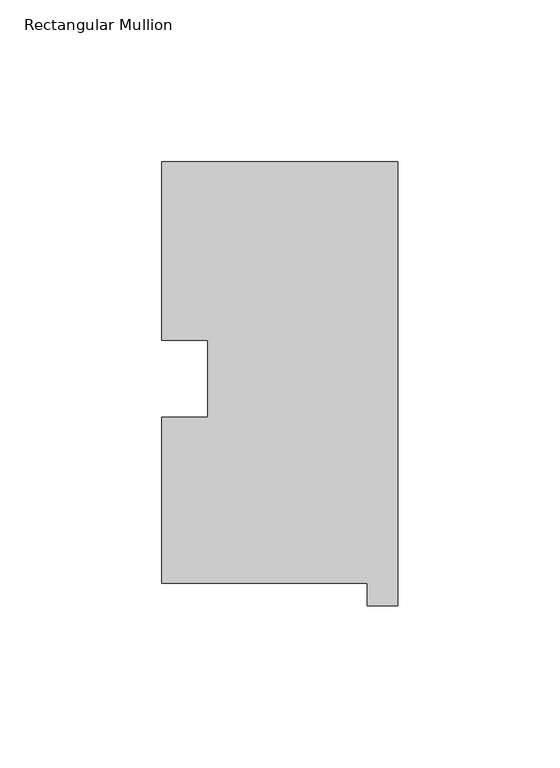
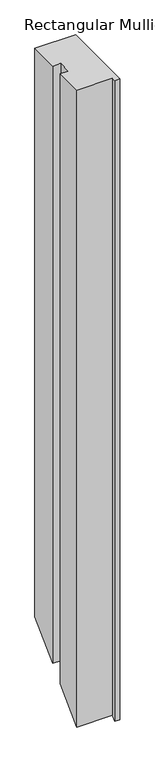
"""IFC4 building model written with IfcOpenShell, lengths in millimetres: member geometry, Rectangular Mullion."""

from ifc_helpers import new_model, si_unit, origin, place, context, project, spatial, faceted_brep, source, transform, mapped, element, save


def rectangular_mullion_baf84cb5(model_context):
    return source(origin(), model_context, "Body", "Brep", [
        faceted_brep([(-73.025, 130.56235, 0.0), (-73.025, 75.40625, 0.0), (-58.785125, 75.40625, 0.0), (-58.785125, 51.60645, 0.0), (-73.025, 51.60645, 0.0), (-73.025, 0.26035, 0.0), (-9.525, 0.26035, 0.0), (-9.525, -6.64845, 0.0), (0.0, -6.64845, 0.0), (0.0, 130.56235, 0.0), (-73.025, 130.56235, -1075.944), (-73.025, 75.40625, -1131.1001), (-58.785125, 75.40625, -1131.1001), (-58.785125, 51.60645, -1154.8999), (-73.025, 51.60645, -1154.8999), (-73.025, 0.26035, -1206.246), (-9.525, 0.26035, -1206.246), (-9.525, -6.64845, -1213.1548), (0.0, -6.64845, -1213.1548), (0.0, 130.56235, -1075.944)], [[[0, 1, 2, 3, 4, 5, 6, 7, 8, 9]], [[1, 0, 10, 11]], [[2, 1, 11, 12]], [[3, 2, 12, 13]], [[4, 3, 13, 14]], [[5, 4, 14, 15]], [[6, 5, 15, 16]], [[7, 6, 16, 17]], [[8, 7, 17, 18]], [[9, 8, 18, 19]], [[0, 9, 19, 10]], [[10, 19, 18, 17, 16, 15, 14, 13, 12, 11]]]),
    ])


if __name__ == "__main__":
    model = new_model("IFC4")
    model_context = context("Model", 3, world=origin())
    ifc_project = project(units=[si_unit("LENGTHUNIT", "METRE", prefix="MILLI")], contexts=[model_context])
    site = spatial("IfcSite", under=ifc_project)
    building = spatial("IfcBuilding", under=site)
    placement = place(None, origin())
    rectangular_mullion_shape = rectangular_mullion_baf84cb5(model_context)
    element("IfcMember", 1, ObjectType="Rectangular Mullion", at=placement, inside=building, context=model_context, shape_type="MappedRepresentation", body=[
        mapped(rectangular_mullion_shape, transform((0.0, 0.0, 0.0), x_axis=(1.0, 0.0, 0.0), y_axis=(0.0, 1.0, 0.0), z_axis=(0.0, 0.0, 1.0))),
    ])
    save(model, "model.ifc")
